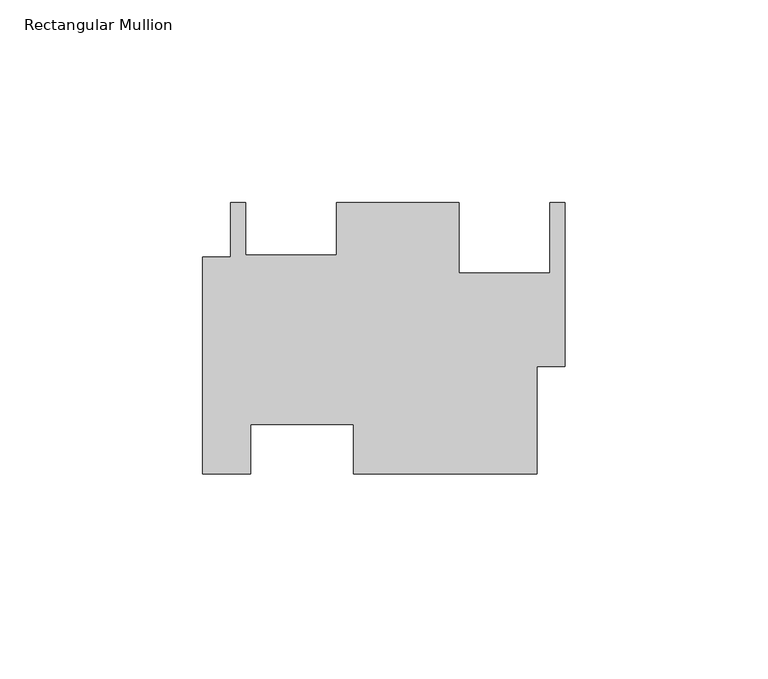
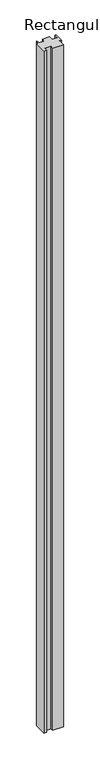
"""IFC4 building model written with IfcOpenShell, lengths in millimetres: member geometry, Rectangular Mullion."""

from ifc_helpers import new_model, si_unit, frame, origin, place, context, project, spatial, polyline, outline, extrude, source, transform, mapped, element, save


def rectangular_mullion_5ca4e98e(model_context):
    return source(origin(), model_context, "Body", "SweptSolid", [
        extrude(outline(polyline([(-89.4588, 19.4719322), (-82.55, 19.4719322), (-82.55, 32.9593322), (-78.8162, 32.9593322), (-78.8162, 20.0307322), (-56.4388, 20.0307322), (-56.4388, 32.9593218), (-26.1112, 32.9593218), (-26.1112, 15.5349322), (-3.7338, 15.5349322), (-3.7338, 32.9593322), (0.0, 32.9593322), (0.0, -7.5282678), (-6.9088, -7.5282678), (-6.9088, -34.0204678), (-52.2224, -34.0204678), (-52.2224, -21.8030678), (-77.6224, -21.8030678), (-77.6224, -34.0204678), (-89.4588, -34.0204678), (-89.4588, 19.4719322)])), frame((0.0, 0.0, -3048.0), z_axis=(0.0, 0.0, 1.0), x_axis=(1.0, 0.0, 0.0)), (0.0, 0.0, 1.0), 3048.0),
    ])


if __name__ == "__main__":
    model = new_model("IFC4")
    model_context = context("Model", 3, world=origin())
    ifc_project = project(units=[si_unit("LENGTHUNIT", "METRE", prefix="MILLI")], contexts=[model_context])
    site = spatial("IfcSite", under=ifc_project)
    building = spatial("IfcBuilding", under=site)
    placement = place(None, origin())
    rectangular_mullion_shape = rectangular_mullion_5ca4e98e(model_context)
    element("IfcMember", 1, ObjectType="Rectangular Mullion", at=placement, inside=building, context=model_context, shape_type="MappedRepresentation", body=[
        mapped(rectangular_mullion_shape, transform((0.0, 0.0, 0.0), x_axis=(1.0, 0.0, 0.0), y_axis=(0.0, 1.0, 0.0), z_axis=(0.0, 0.0, 1.0))),
    ])
    save(model, "model.ifc")
